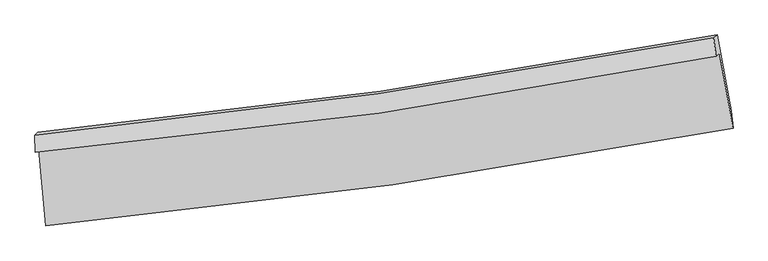
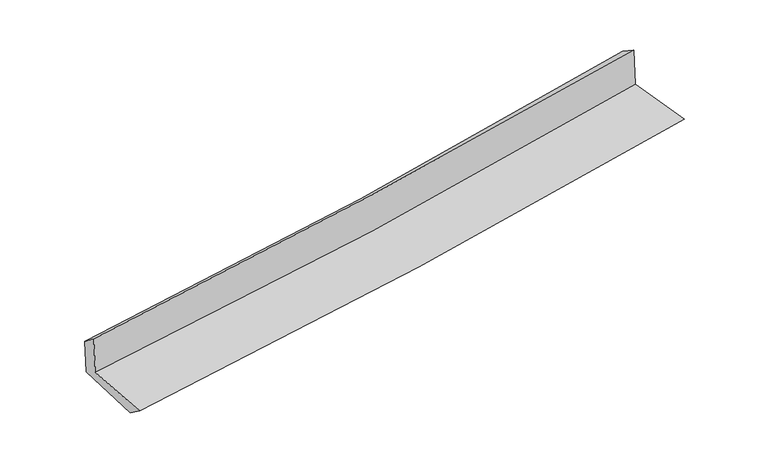
"""IFC4 building model written with IfcOpenShell, lengths in millimetres: proxy geometry."""

from ifc_helpers import new_model, si_unit, frame, origin, place, context, project, spatial, source, transform, mapped, element, save
from ifc_brep_helpers import plane_surface, spline_curve, spline_surface, advanced_brep


def generic_models_ff3c8c1c(model_context):
    return source(origin(), model_context, "Body", "AdvancedBrep", [
        advanced_brep(
        [(-3022.2521804, -1897.4522861, 1643.255412), (-2959.310888, -2570.6304786, 1613.0145539), (3080.2209621, -1710.8665581, 2122.5383577), (2960.5362924, -1055.27245, 2139.6974625), (-3052.119807, -1923.7915826, 2030.5758029), (2930.3070802, -1081.9306172, 2531.7068584), (-3055.8840106, -1771.9980106, 1912.0810375), (2909.9816035, -918.1958849, 2428.9555427), (-3028.8248263, -1748.1353888, 1561.180246), (2939.2764576, -892.361698, 2049.062809), (-2963.9952624, -2412.736795, 1498.9974811), (3064.8611998, -1560.3870597, 1990.9531986)],
        [
            (0, 1),
            (1, 2, spline_curve(3, [(-2959.310888, -2570.6304786, 1613.0145539), (-1940.034522504, -2474.847499249, 1703.068025903), (-924.04964972, -2354.723965654, 1790.800191718), (1089.048234575, -2067.548838457, 1960.585463859), (2086.240645415, -1901.084398822, 2042.69456622), (3080.2209621, -1710.8665581, 2122.5383577)], [4, 2, 4], [0.0, 10.0580138319179, 19.993975239413146])),
            (2, 3),
            (3, 0, spline_curve(3, [(2960.5362924, -1055.27245, 2139.6974625), (1976.617597889, -1247.088233105, 2059.659080184), (989.15776844, -1412.909017004, 1978.528966236), (-1005.017523777, -1694.278191701, 1813.075268867), (-2011.820518458, -1809.184020024, 1728.724699454), (-3022.2521804, -1897.4522861, 1643.255412)], [4, 2, 4], [0.0, 9.935961407495245, 19.993975239413146])),
            (4, 0),
            (3, 5),
            (5, 4, spline_curve(3, [(2930.3070802, -1081.9306172, 2531.7068584), (1945.238172851, -1274.760735922, 2466.58432129), (957.229491468, -1441.065534368, 2392.571661859), (-1036.840136783, -1722.341527716, 2225.747729097), (-2042.973751205, -1836.657051386, 2132.716703307), (-3052.119807, -1923.7915826, 2030.5758029)], [4, 2, 4], [0.0, 9.887949007737227, 19.8973606600507])),
            (6, 4),
            (5, 7),
            (7, 6, spline_curve(3, [(2909.9816035, -918.1958849, 2428.9555427), (1928.343371242, -1103.284700545, 2340.646848041), (943.423806495, -1266.67820391, 2253.674355116), (-1045.116954461, -1551.815192263, 2081.349824259), (-2048.81926143, -1673.022397884, 1996.030815555), (-3055.8840106, -1771.9980106, 1912.0810375)], [4, 2, 4], [0.0, 9.876349945824222, 19.87402005442857])),
            (8, 6),
            (7, 9),
            (9, 8, spline_curve(3, [(2939.2764576, -892.361698, 2049.062809), (1955.992638456, -1078.901703587, 1982.093917155), (970.061219872, -1243.187528231, 1908.243048293), (-1019.240429652, -1528.995519855, 1745.785640943), (-2022.676105419, -1649.967592, 1657.008988959), (-3028.8248263, -1748.1353888, 1561.180246)], [4, 2, 4], [0.0, 9.86493281317647, 19.851045542139097])),
            (10, 8),
            (9, 11),
            (11, 10, spline_curve(3, [(3064.8611998, -1560.3870597, 1990.9531986), (2070.393991118, -1739.741537224, 1923.908611327), (1073.835436197, -1900.130809581, 1849.684365638), (-935.731689166, -2184.716183283, 1685.876598179), (-1948.791955018, -2308.443489367, 1596.115604965), (-2963.9952624, -2412.736795, 1498.9974811)], [4, 2, 4], [0.0, 9.913638940376845, 19.949056098069537])),
            (1, 10),
            (11, 2),
        ],
        [
            spline_surface(3, 3, [[(-3022.2521804, -1897.4522861, 1643.255412), (-2011.820518519, -1809.184020148, 1728.724699453), (-1005.017523655, -1694.278191767, 1813.075268913), (989.15776832, -1412.909016939, 1978.528966191), (1976.617597752, -1247.08823326, 2059.659080274), (2960.5362924, -1055.27245, 2139.6974625)], [(-3001.271749617, -2121.845016935, 1633.175125945), (-1987.891853228, -2031.07184651, 1720.172474867), (-978.028232378, -1914.426783037, 1805.650243149), (1022.454590453, -1631.122290853, 1972.5477988), (2013.158613599, -1465.086955102, 2054.004242218), (3000.431182283, -1273.803819342, 2133.977760913)], [(-2980.291318783, -2346.237747765, 1623.094839955), (-1963.963187885, -2252.959672867, 1711.620250345), (-951.038941122, -2134.575374233, 1798.225217353), (1055.751412565, -1849.335564692, 1966.566631378), (2049.699629497, -1683.085677017, 2048.349404122), (3040.326072217, -1492.335188758, 2128.258059287)], [(-2959.310888, -2570.6304786, 1613.0145539), (-1940.034522594, -2474.847499229, 1703.068025759), (-924.049649845, -2354.723965503, 1790.800191589), (1089.048234698, -2067.548838606, 1960.585463987), (2086.240645344, -1901.084398859, 2042.694566066), (3080.2209621, -1710.8665581, 2122.5383577)]], [4, 4], [4, 2, 4], [0.0, 2.1786641859370643], [0.0, 10.0580138319179, 19.993975239413146]),
            spline_surface(3, 3, [[(-3052.119807, -1923.7915826, 2030.5758029), (-2042.973751349, -1836.657051314, 2132.716703181), (-1036.840136824, -1722.341527777, 2225.747729067), (957.229491508, -1441.065534307, 2392.571661889), (1945.238172703, -1274.760736071, 2466.584321193), (2930.3070802, -1081.9306172, 2531.7068584)], [(-3042.163931447, -1915.011817088, 1901.469005945), (-2032.589340386, -1827.499374246, 1998.05270195), (-1026.2325991, -1712.987082416, 2088.190242357), (967.872250446, -1431.680028494, 2254.557429997), (1955.697981051, -1265.536568481, 2330.942574222), (2940.383484266, -1073.04456148, 2401.037059768)], [(-3032.208055953, -1906.232051612, 1772.362208955), (-2022.204929482, -1818.341697215, 1863.388700684), (-1015.625061379, -1703.632637127, 1950.632755623), (978.515009382, -1422.294522752, 2116.543198082), (1966.157789403, -1256.31240085, 2195.300827246), (2950.459888334, -1064.15850572, 2270.367261132)], [(-3022.2521804, -1897.4522861, 1643.255412), (-2011.820518519, -1809.184020148, 1728.724699453), (-1005.017523655, -1694.278191767, 1813.075268913), (989.15776832, -1412.909016939, 1978.528966191), (1976.617597752, -1247.08823326, 2059.659080274), (2960.5362924, -1055.27245, 2139.6974625)]], [4, 4], [4, 2, 4], [0.0, 1.3632786881827121], [0.0, 10.009411652313474, 19.8973606600507]),
            spline_surface(3, 3, [[(-3055.8840106, -1771.9980106, 1912.0810375), (-2048.819261371, -1673.022397812, 1996.030815489), (-1045.116954518, -1551.815192418, 2081.349824236), (943.423806551, -1266.678203757, 2253.674355138), (1928.343371078, -1103.284700579, 2340.646848141), (2909.9816035, -918.1958849, 2428.9555427)], [(-3054.629276076, -1822.595867938, 1951.57929264), (-2046.87075804, -1727.567282318, 2041.592778059), (-1042.358015282, -1608.657304214, 2129.482459166), (948.025701542, -1324.80731395, 2299.973457375), (1933.974971624, -1160.443379066, 2382.626005828), (2916.756762404, -972.774128989, 2463.205981269)], [(-3053.374541524, -1873.193725262, 1991.07754776), (-2044.922254681, -1782.112166808, 2087.15474061), (-1039.59907606, -1665.49941598, 2177.615094136), (952.627596518, -1382.936424114, 2346.272559652), (1939.606572157, -1217.602057584, 2424.605163506), (2923.531921296, -1027.352373111, 2497.456419831)], [(-3052.119807, -1923.7915826, 2030.5758029), (-2042.973751349, -1836.657051314, 2132.716703181), (-1036.840136824, -1722.341527777, 2225.747729067), (957.229491508, -1441.065534307, 2392.571661889), (1945.238172703, -1274.760736071, 2466.584321193), (2930.3070802, -1081.9306172, 2531.7068584)]], [4, 4], [4, 2, 4], [0.0, 0.733085579993407], [0.0, 9.997670108604348, 19.87402005442857]),
            spline_surface(3, 3, [[(-3028.8248263, -1748.1353888, 1561.180246), (-2022.676105499, -1649.967591935, 1657.008988891), (-1019.240429583, -1528.995519805, 1745.78564091), (970.061219804, -1243.18752828, 1908.243048326), (1955.992638528, -1078.901703466, 1982.093917299), (2939.2764576, -892.361698, 2049.062809)], [(-3037.844554395, -1756.089596066, 1678.147176486), (-2031.390490785, -1657.652527226, 1770.01626441), (-1027.865937891, -1536.602077357, 1857.640368691), (961.182082056, -1251.017753453, 2023.386817269), (1946.776216046, -1087.029369167, 2101.611560887), (2929.511506235, -900.973093629, 2175.693720208)], [(-3046.864282505, -1764.043803334, 1795.114107014), (-2040.104876085, -1665.337462521, 1883.02353997), (-1036.491446209, -1544.208634866, 1969.495096455), (952.302944299, -1258.847978584, 2138.530586195), (1937.55979356, -1095.157034879, 2221.129204553), (2919.746554865, -909.584489271, 2302.324631492)], [(-3055.8840106, -1771.9980106, 1912.0810375), (-2048.819261371, -1673.022397812, 1996.030815489), (-1045.116954518, -1551.815192418, 2081.349824236), (943.423806551, -1266.678203757, 2253.674355138), (1928.343371078, -1103.284700579, 2340.646848141), (2909.9816035, -918.1958849, 2428.9555427)]], [4, 4], [4, 2, 4], [0.0, 1.1228120149410583], [0.0, 9.986112728962627, 19.851045542139097]),
            spline_surface(3, 3, [[(-2963.9952624, -2412.736795, 1498.9974811), (-1948.791954863, -2308.443489521, 1596.11560501), (-935.731689166, -2184.716183347, 1685.87659827), (1073.835436198, -1900.130809518, 1849.684365548), (2070.393991208, -1739.7415373, 1923.908611455), (3064.8611998, -1560.3870597, 1990.9531986)], [(-2985.605117027, -2191.202992932, 1519.725069415), (-1973.420005068, -2088.951523658, 1616.413399652), (-963.567935976, -1966.142628826, 1705.846279153), (1039.24403073, -1681.149715765, 1869.203926476), (2032.260206971, -1519.461592714, 1943.303713423), (3022.999619056, -1337.711939159, 2010.323068753)], [(-3007.214971673, -1969.669190868, 1540.452657685), (-1998.048055293, -1869.459557798, 1636.711194249), (-991.404182774, -1747.569074325, 1725.815960027), (1004.652625272, -1462.168622033, 1888.723487397), (1994.126422765, -1299.181648052, 1962.698815331), (2981.138038344, -1115.036818541, 2029.692938847)], [(-3028.8248263, -1748.1353888, 1561.180246), (-2022.676105499, -1649.967591935, 1657.008988891), (-1019.240429583, -1528.995519805, 1745.78564091), (970.061219804, -1243.18752828, 1908.243048326), (1955.992638528, -1078.901703466, 1982.093917299), (2939.2764576, -892.361698, 2049.062809)]], [4, 4], [4, 2, 4], [0.0, 2.183712753393257], [0.0, 10.035417157692692, 19.949056098069537]),
            spline_surface(3, 3, [[(-2959.310888, -2570.6304786, 1613.0145539), (-1940.034522594, -2474.847499229, 1703.068025759), (-924.049649845, -2354.723965503, 1790.800191589), (1089.048234698, -2067.548838606, 1960.585463987), (2086.240645344, -1901.084398859, 2042.694566066), (3080.2209621, -1710.8665581, 2122.5383577)], [(-2960.872346138, -2517.999250741, 1575.008862968), (-1942.953666688, -2419.379496001, 1667.417218844), (-927.943662964, -2298.054704766, 1755.825660469), (1083.977301853, -2011.742828891, 1923.618431161), (2080.958427322, -1847.303445007, 2003.099247851), (3075.101041356, -1660.7067253, 2078.676637989)], [(-2962.433804262, -2465.368022859, 1537.003172032), (-1945.872810768, -2363.911492749, 1631.766411925), (-931.837676047, -2241.385444084, 1720.85112939), (1078.906369043, -1955.936819232, 1886.651398375), (2075.676209231, -1793.522491153, 1963.50392967), (3069.981120544, -1610.5468925, 2034.814918311)], [(-2963.9952624, -2412.736795, 1498.9974811), (-1948.791954863, -2308.443489521, 1596.11560501), (-935.731689166, -2184.716183347, 1685.87659827), (1073.835436198, -1900.130809518, 1849.684365548), (2070.393991208, -1739.7415373, 1923.908611455), (3064.8611998, -1560.3870597, 1990.9531986)]], [4, 4], [4, 2, 4], [0.0, 0.6585158713627135], [0.0, 10.095513099497754, 20.06851872682698]),
            plane_surface(frame((2980.8639326, -1203.1690447, 2210.4857048), z_axis=(0.9803610162910986, 0.17668066962045284, 0.08761403266117175), x_axis=(-0.07670910799271734, -0.06764728799959245, 0.9947560289725627))),
            plane_surface(frame((-3013.7311624, -2054.1240903, 1709.8507556), z_axis=(-0.9925920945876894, -0.08909543185919128, -0.08260107616640366), x_axis=(-0.0929997080122125, 0.9946630106801143, 0.04468276507126824))),
        ],
        [
            (0, [[1, 2, 3, 4]]),
            (1, [[5, -4, 6, 7]]),
            (2, [[8, -7, 9, 10]]),
            (3, [[11, -10, 12, 13]]),
            (4, [[14, -13, 15, 16]]),
            (5, [[17, -16, 18, -2]]),
            (6, [[-12, -9, -6, -3, -18, -15]]),
            (7, [[-1, -5, -8, -11, -14, -17]]),
        ],
    ),
    ])


if __name__ == "__main__":
    model = new_model("IFC4")
    model_context = context("Model", 3, world=origin())
    ifc_project = project(units=[si_unit("LENGTHUNIT", "METRE", prefix="MILLI")], contexts=[model_context])
    site = spatial("IfcSite", under=ifc_project)
    building = spatial("IfcBuilding", under=site)
    placement = place(None, origin())
    generic_models_shape = generic_models_ff3c8c1c(model_context)
    element("IfcBuildingElementProxy", 1, Name="Generic Models", at=placement, inside=building, context=model_context, shape_type="MappedRepresentation", body=[
        mapped(generic_models_shape, transform((0.0, 0.0, 0.0), x_axis=(1.0, 0.0, 0.0), y_axis=(0.0, 1.0, 0.0), z_axis=(0.0, 0.0, 1.0))),
    ])
    save(model, "model.ifc")
